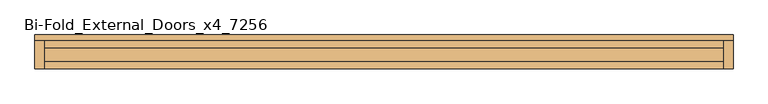
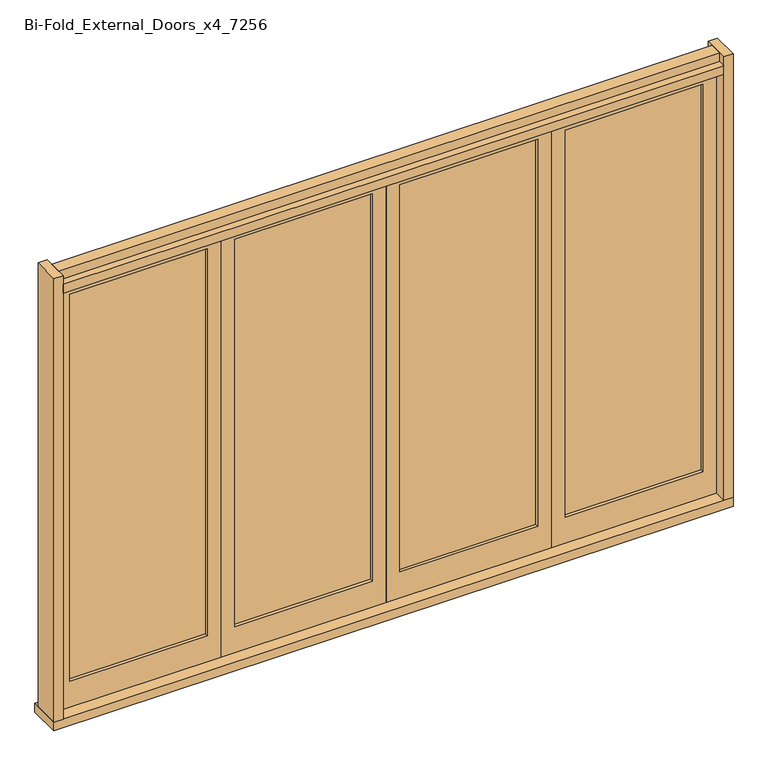
"""IFC4 building model written with IfcOpenShell, lengths in millimetres: door geometry, Bi-Fold_External_Doors_x4_7256."""

from ifc_helpers import new_model, si_unit, frame, origin, origin_with_axes, place, context, project, spatial, polyline, outline, extrude, source, transform, mapped, element, save


def bi_fold_external_doors_x4_7256_e524b15b(model_context):
    return source(origin(), model_context, "Body", "SweptSolid", [
        extrude(outline(polyline([(-1725.0, -8.0), (-975.0, -8.0), (-975.0, -12.0), (-1725.0, -12.0), (-1725.0, -8.0)])), frame((0.0, 0.0, 150.0), z_axis=(0.0, 0.0, 1.0), x_axis=(1.0, 0.0, 0.0)), (0.0, 0.0, 1.0), 2230.0),
        extrude(outline(polyline([(0.0, -1800.0), (0.0, -900.0), (2455.0, -900.0), (2455.0, -1800.0), (0.0, -1800.0)]), holes=[polyline([(2380.0, -975.0), (150.0, -975.0), (150.0, -1725.0), (2380.0, -1725.0), (2380.0, -975.0)])]), frame((0.0, -30.0, 0.0), z_axis=(0.0, 1.0, 0.0), x_axis=(0.0, 0.0, 1.0)), (0.0, 0.0, 1.0), 40.0),
        extrude(outline(polyline([(-825.0, -8.0), (-75.0, -8.0), (-75.0, -12.0), (-825.0, -12.0), (-825.0, -8.0)])), frame((0.0, 0.0, 150.0), z_axis=(0.0, 0.0, 1.0), x_axis=(1.0, 0.0, 0.0)), (0.0, 0.0, 1.0), 2230.0),
        extrude(outline(polyline([(0.0, -900.0), (0.0, 0.0), (2455.0, 0.0), (2455.0, -900.0), (0.0, -900.0)]), holes=[polyline([(2380.0, -75.0), (150.0, -75.0), (150.0, -825.0), (2380.0, -825.0), (2380.0, -75.0)])]), frame((0.0, -30.0, 0.0), z_axis=(0.0, 1.0, 0.0), x_axis=(0.0, 0.0, 1.0)), (0.0, 0.0, 1.0), 40.0),
        extrude(outline(polyline([(75.0, -8.0), (825.0, -8.0), (825.0, -12.0), (75.0, -12.0), (75.0, -8.0)])), frame((0.0, 0.0, 150.0), z_axis=(0.0, 0.0, 1.0), x_axis=(1.0, 0.0, 0.0)), (0.0, 0.0, 1.0), 2230.0),
        extrude(outline(polyline([(0.0, 0.0), (0.0, 900.0), (2455.0, 900.0), (2455.0, 0.0), (0.0, 0.0)]), holes=[polyline([(2380.0, 825.0), (150.0, 825.0), (150.0, 75.0), (2380.0, 75.0), (2380.0, 825.0)])]), frame((0.0, -30.0, 0.0), z_axis=(0.0, 1.0, 0.0), x_axis=(0.0, 0.0, 1.0)), (0.0, 0.0, 1.0), 40.0),
        extrude(outline(polyline([(975.0, -8.0), (1725.0, -8.0), (1725.0, -12.0), (975.0, -12.0), (975.0, -8.0)])), frame((0.0, 0.0, 150.0), z_axis=(0.0, 0.0, 1.0), x_axis=(1.0, 0.0, 0.0)), (0.0, 0.0, 1.0), 2230.0),
        extrude(outline(polyline([(0.0, 900.0), (0.0, 1800.0), (2455.0, 1800.0), (2455.0, 900.0), (0.0, 900.0)]), holes=[polyline([(2380.0, 1725.0), (150.0, 1725.0), (150.0, 975.0), (2380.0, 975.0), (2380.0, 1725.0)])]), frame((0.0, -30.0, 0.0), z_axis=(0.0, 1.0, 0.0), x_axis=(0.0, 0.0, 1.0)), (0.0, 0.0, 1.0), 40.0),
        extrude(outline(polyline([(-1800.0, -100.0), (-1850.0, -100.0), (-1850.0, 50.0), (-1800.0, 50.0), (-1800.0, -100.0)])), origin_with_axes(), (0.0, 0.0, 1.0), 2555.0),
        extrude(outline(polyline([(1800.0, -100.0), (1800.0, 50.0), (1850.0, 50.0), (1850.0, -100.0), (1800.0, -100.0)])), origin_with_axes(), (0.0, 0.0, 1.0), 2555.0),
        extrude(outline(polyline([(1850.0, 80.0), (1850.0, -100.0), (-1850.0, -100.0), (-1850.0, 80.0), (1850.0, 80.0)])), frame((0.0, 0.0, -50.0), z_axis=(0.0, 0.0, 1.0), x_axis=(1.0, 0.0, 0.0)), (0.0, 0.0, 1.0), 50.0),
        extrude(outline(polyline([(50.0, 2455.0), (-100.0, 2455.0), (-100.0, 2505.0), (-60.0, 2505.0), (-60.0, 2555.0), (10.0, 2555.0), (10.0, 2505.0), (50.0, 2505.0), (50.0, 2455.0)])), frame((-1800.0, 0.0, 0.0), z_axis=(1.0, 0.0, 0.0), x_axis=(0.0, 1.0, 0.0)), (0.0, 0.0, 1.0), 3600.0),
    ])


if __name__ == "__main__":
    model = new_model("IFC4")
    model_context = context("Model", 3, world=origin())
    ifc_project = project(units=[si_unit("LENGTHUNIT", "METRE", prefix="MILLI")], contexts=[model_context])
    site = spatial("IfcSite", under=ifc_project)
    building = spatial("IfcBuilding", under=site)
    placement = place(None, origin())
    bi_fold_external_doors_x4_7256_shape = bi_fold_external_doors_x4_7256_e524b15b(model_context)
    element("IfcDoor", 1, ObjectType="Bi-Fold_External_Doors_x4_7256", at=placement, inside=building, context=model_context, shape_type="MappedRepresentation", body=[
        mapped(bi_fold_external_doors_x4_7256_shape, transform((0.0, 0.0, 0.0), x_axis=(1.0, 0.0, 0.0), y_axis=(0.0, 1.0, 0.0), z_axis=(0.0, 0.0, 1.0))),
    ])
    save(model, "model.ifc")
